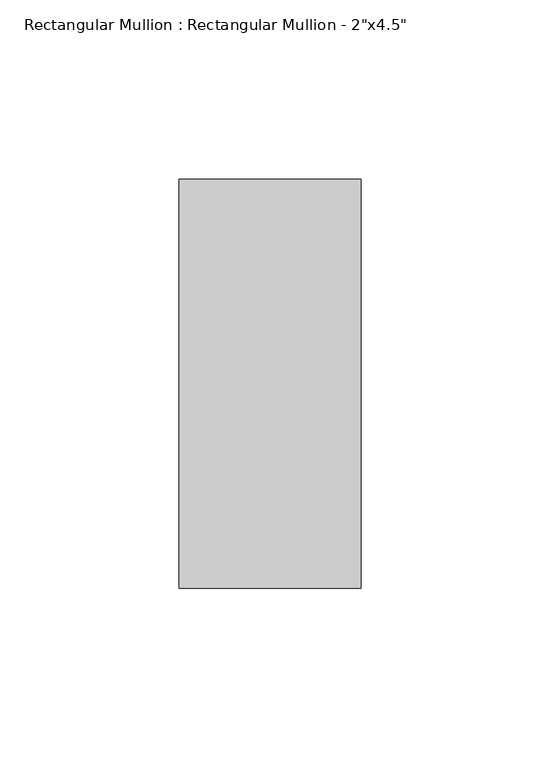
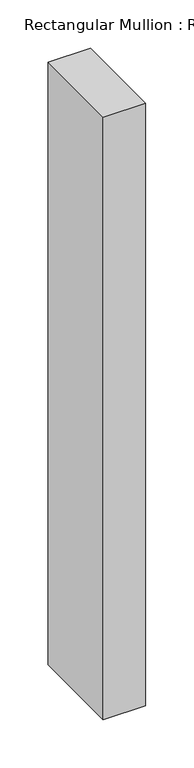
"""IFC4 building model written with IfcOpenShell, lengths in millimetres: member geometry."""

import ifcopenshell
import ifcopenshell.guid

model = None  # the IFC model being written
_history = None  # IfcOwnerHistory: only IFC2X3 demands one
_inside = {}  # id of a spatial element -> (the spatial element, [elements in it])
_under = {}  # id of a project, library or spatial element -> (it, [spatial elements below it])
_declared = {}  # id of a project -> (the project, [libraries it declares])
_typed = {}  # id of a type object -> (the type object, [elements of that type])
_made_of = {}  # id of a material, layer set ... -> (it, [elements and type objects made of it])


def new_model(schema):
    """Start an empty IFC model of exactly this schema.

    Asked for "IFC4X3", IfcOpenShell would pick the latest addendum, in which some entities
    have other attributes; the version numbers below select the first issue.
    IFC2X3 requires an IfcOwnerHistory on every rooted entity: one is made here for all.
    """
    global model, _history
    if schema == "IFC4X3":
        model = ifcopenshell.file(schema_version=(4, 3, 0, 0))
    else:
        model = ifcopenshell.file(schema=schema)
    _inside.clear()
    _under.clear()
    _declared.clear()
    _typed.clear()
    _made_of.clear()
    _history = None
    if model.schema == "IFC2X3":
        org = make("IfcOrganization", Name="unknown")
        user = make(
            "IfcPersonAndOrganization",
            ThePerson=make("IfcPerson", FamilyName="unknown"),
            TheOrganization=org,
        )
        app = make(
            "IfcApplication",
            ApplicationDeveloper=org,
            Version="unknown",
            ApplicationFullName="unknown",
            ApplicationIdentifier="unknown",
        )
        _history = make(
            "IfcOwnerHistory",
            OwningUser=user,
            OwningApplication=app,
            ChangeAction="ADDED",
            CreationDate=0,
        )
    return model


def make(cls, **values):
    """One entity of the class cls with the attributes given. An attribute that is None is left unset."""
    return model.create_entity(
        cls, **{name: value for name, value in values.items() if value is not None}
    )


def rooted(cls, **values):
    """An entity with a GlobalId (a new one), such as an element, a storey or a relation."""
    return make(cls, GlobalId=ifcopenshell.guid.new(), OwnerHistory=_history, **values)


def si_unit(unit_type, name, prefix=None):
    """IfcSIUnit, for example si_unit("LENGTHUNIT", "METRE", prefix="MILLI")."""
    return make("IfcSIUnit", UnitType=unit_type, Prefix=prefix, Name=name)


def assignment(units):
    """IfcUnitAssignment: the units of a project."""
    return None if units is None else make("IfcUnitAssignment", Units=units)


def point(xyz):
    """IfcCartesianPoint."""
    return None if xyz is None else make("IfcCartesianPoint", Coordinates=xyz)


def direction(xyz):
    """IfcDirection."""
    return None if xyz is None else make("IfcDirection", DirectionRatios=xyz)


def frame(location, z_axis=None, x_axis=None):
    """IfcAxis2Placement3D, a coordinate frame: its origin and axes. An axis left out is left unset."""
    return make(
        "IfcAxis2Placement3D",
        Location=point(location),
        Axis=direction(z_axis),
        RefDirection=direction(x_axis),
    )


def origin():
    """The frame at (0, 0, 0) with its axes left unset."""
    return frame((0.0, 0.0, 0.0))


def place(relative_to, where):
    """IfcLocalPlacement: puts the frame where relative to a parent placement (None: the world)."""
    return make(
        "IfcLocalPlacement", PlacementRelTo=relative_to, RelativePlacement=where
    )


def context(
    kind, dimensions, precision=None, world=None, true_north=None, identifier=None
):
    """IfcGeometricRepresentationContext, for example the 3D "Model" context."""
    return make(
        "IfcGeometricRepresentationContext",
        ContextIdentifier=identifier,
        ContextType=kind,
        CoordinateSpaceDimension=dimensions,
        Precision=precision,
        WorldCoordinateSystem=world,
        TrueNorth=true_north,
    )


def project(units=None, contexts=None):
    """IfcProject with its units and contexts."""
    return rooted(
        "IfcProject",
        Name="project",
        RepresentationContexts=contexts,
        UnitsInContext=assignment(units),
    )


def spatial(cls, under=None, at=None, **own):
    """A site, building, storey or space (cls), placed at a placement, below another one or the project."""
    s = rooted(cls, ObjectPlacement=at, **own)
    if under is not None:
        _under.setdefault(under.id(), (under, []))[1].append(s)
    return s


def polyline(points):
    """IfcPolyline through the points."""
    return make("IfcPolyline", Points=[point(p) for p in points])


def outline(outer, holes=None, kind="AREA"):
    """IfcArbitraryClosedProfileDef: a profile drawn as a closed curve; with holes, ...WithVoids."""
    if holes is None:
        return make("IfcArbitraryClosedProfileDef", ProfileType=kind, OuterCurve=outer)
    return make(
        "IfcArbitraryProfileDefWithVoids",
        ProfileType=kind,
        OuterCurve=outer,
        InnerCurves=holes,
    )


def extrude(swept, where, along, depth):
    """IfcExtrudedAreaSolid: the profile swept, set in the frame where, extruded along a direction by depth."""
    return make(
        "IfcExtrudedAreaSolid",
        SweptArea=swept,
        Position=where,
        ExtrudedDirection=direction(along),
        Depth=depth,
    )


def shape(context_of_items, identifier, shape_type, items):
    """IfcShapeRepresentation: the items that make up one representation, for example the "Body"."""
    return make(
        "IfcShapeRepresentation",
        ContextOfItems=context_of_items,
        RepresentationIdentifier=identifier,
        RepresentationType=shape_type,
        Items=items,
    )


def source(mapping_origin, context_of_items, identifier, shape_type, items):
    """IfcRepresentationMap: a shape defined once, which mapped items show again and again."""
    return make(
        "IfcRepresentationMap",
        MappingOrigin=mapping_origin,
        MappedRepresentation=shape(context_of_items, identifier, shape_type, items),
    )


def transform(
    local_origin,
    x_axis=None,
    y_axis=None,
    z_axis=None,
    scale=None,
    scale2=None,
    scale3=None,
    uniform=True,
):
    """IfcCartesianTransformationOperator3D, or its non-uniform kind. x_axis, y_axis, z_axis: its Axis1, 2, 3."""
    if uniform:
        return make(
            "IfcCartesianTransformationOperator3D",
            Axis1=direction(x_axis),
            Axis2=direction(y_axis),
            LocalOrigin=point(local_origin),
            Scale=scale,
            Axis3=direction(z_axis),
        )
    return make(
        "IfcCartesianTransformationOperator3DnonUniform",
        Axis1=direction(x_axis),
        Axis2=direction(y_axis),
        LocalOrigin=point(local_origin),
        Scale=scale,
        Axis3=direction(z_axis),
        Scale2=scale2,
        Scale3=scale3,
    )


def mapped(mapping_source, mapping_target):
    """IfcMappedItem: shows the shape of a source again, moved by a transform."""
    return make(
        "IfcMappedItem", MappingSource=mapping_source, MappingTarget=mapping_target
    )


def made_of(thing, what):
    """Note that an element or type object is made of a material, layer set ...; save() writes the relation."""
    if what is not None:
        _made_of.setdefault(what.id(), (what, []))[1].append(thing)
    return thing


def element(
    cls,
    number,
    at=None,
    inside=None,
    cuts=None,
    type_object=None,
    material=None,
    context=None,
    identifier="Body",
    shape_type=None,
    held_by="IfcProductDefinitionShape",
    body=None,
    shapes=None,
    **own,
):
    """One element of the class cls, such as IfcWall. Its Tag is "e" and its number.

    at: its placement. inside: the storey or other place that contains it. cuts: it is an
    opening in that element (IfcRelVoidsElement). A single representation is given by context,
    identifier, shape_type and body (its items); several are given by shapes. held_by: the class
    of the entity that holds the representations. save() writes the other relations.
    """
    e = rooted(cls, Tag="e%d" % number, ObjectPlacement=at, **own)
    if body is not None:
        shapes = [shape(context, identifier, shape_type, body)]
    if shapes is not None:
        e.Representation = make(held_by, Representations=shapes)
    if inside is not None:
        _inside.setdefault(inside.id(), (inside, []))[1].append(e)
    if cuts is not None:
        rooted(
            "IfcRelVoidsElement", RelatingBuildingElement=cuts, RelatedOpeningElement=e
        )
    if type_object is not None:
        _typed.setdefault(type_object.id(), (type_object, []))[1].append(e)
    return made_of(e, material)


def aggregate(whole, parts):
    """IfcRelAggregates: a whole, such as a stair, and the parts it consists of."""
    return rooted("IfcRelAggregates", RelatingObject=whole, RelatedObjects=parts)


def save(model, path):
    """Write the relations noted so far, then the file.

    IfcRelAggregates (storeys below a building ...), IfcRelContainedInSpatialStructure (elements
    in a storey), IfcRelDefinesByType, IfcRelAssociatesMaterial and IfcRelDeclares: one each for
    every whole, place, type object, material and project.
    """
    for whole, parts in _under.values():
        aggregate(whole, parts)
    for where, things in _inside.values():
        rooted(
            "IfcRelContainedInSpatialStructure",
            RelatedElements=things,
            RelatingStructure=where,
        )
    for kind, things in _typed.values():
        rooted("IfcRelDefinesByType", RelatedObjects=things, RelatingType=kind)
    for what, things in _made_of.values():
        rooted("IfcRelAssociatesMaterial", RelatedObjects=things, RelatingMaterial=what)
    for by, libraries in _declared.values():
        rooted("IfcRelDeclares", RelatingContext=by, RelatedDefinitions=libraries)
    model.write(path)


def member_781c5acb(model_context):
    return source(origin(), model_context, "Body", "SweptSolid", [
        extrude(outline(polyline([(0.0, 57.15), (0.0, -57.15), (-50.8, -57.15), (-50.8, 57.15), (0.0, 57.15)])), frame((0.0, 0.0, -762.0), z_axis=(0.0, 0.0, 1.0), x_axis=(1.0, 0.0, 0.0)), (0.0, 0.0, 1.0), 762.0),
    ])


if __name__ == "__main__":
    model = new_model("IFC4")
    model_context = context("Model", 3, world=origin())
    ifc_project = project(units=[si_unit("LENGTHUNIT", "METRE", prefix="MILLI")], contexts=[model_context])
    site = spatial("IfcSite", under=ifc_project)
    building = spatial("IfcBuilding", under=site)
    placement = place(None, origin())
    member_shape = member_781c5acb(model_context)
    element("IfcMember", 1, ObjectType="Rectangular Mullion : Rectangular Mullion - 2\"x4.5\"", at=placement, inside=building, context=model_context, shape_type="MappedRepresentation", body=[
        mapped(member_shape, transform((0.0, 0.0, 0.0), x_axis=(1.0, 0.0, 0.0), y_axis=(0.0, 1.0, 0.0), z_axis=(0.0, 0.0, 1.0))),
    ])
    save(model, "model.ifc")
